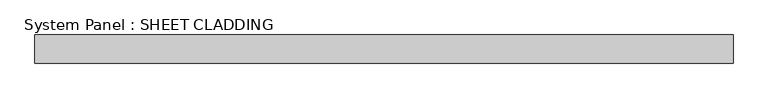
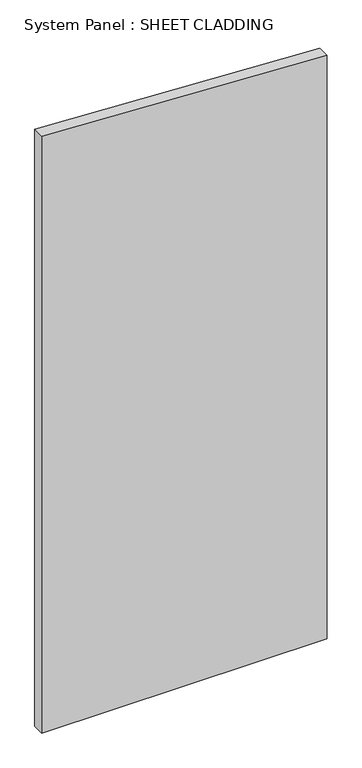
"""IFC4 building model written with IfcOpenShell, lengths in millimetres: plate geometry, System Panel : SHEET CLADDING."""

from ifc_helpers import new_model, si_unit, frame, origin, place, context, project, spatial, polyline, outline, extrude, source, transform, mapped, element, save


def system_panel_sheet_cladding_00372ffb(model_context):
    return source(origin(), model_context, "Body", "SweptSolid", [
        extrude(outline(polyline([(0.0, -735.4591837), (0.0, 735.4591837), (3178.4418367, 735.4591837), (3251.9877551, -735.4591837), (0.0, -735.4591837)])), frame((0.0, -10.5, 0.0), z_axis=(0.0, 1.0, 0.0), x_axis=(0.0, 0.0, 1.0)), (0.0, 0.0, 1.0), 60.0),
    ])


if __name__ == "__main__":
    model = new_model("IFC4")
    model_context = context("Model", 3, world=origin())
    ifc_project = project(units=[si_unit("LENGTHUNIT", "METRE", prefix="MILLI")], contexts=[model_context])
    site = spatial("IfcSite", under=ifc_project)
    building = spatial("IfcBuilding", under=site)
    placement = place(None, origin())
    system_panel_sheet_cladding_shape = system_panel_sheet_cladding_00372ffb(model_context)
    element("IfcPlate", 1, ObjectType="System Panel : SHEET CLADDING", at=placement, inside=building, context=model_context, shape_type="MappedRepresentation", body=[
        mapped(system_panel_sheet_cladding_shape, transform((0.0, 0.0, 0.0), x_axis=(1.0, 0.0, 0.0), y_axis=(0.0, 1.0, 0.0), z_axis=(0.0, 0.0, 1.0))),
    ])
    save(model, "model.ifc")
